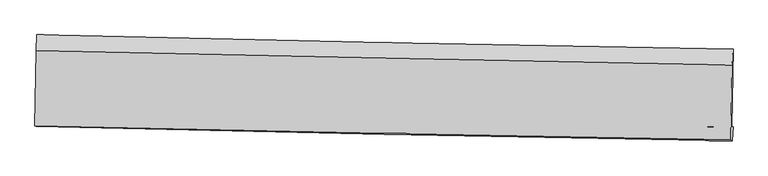
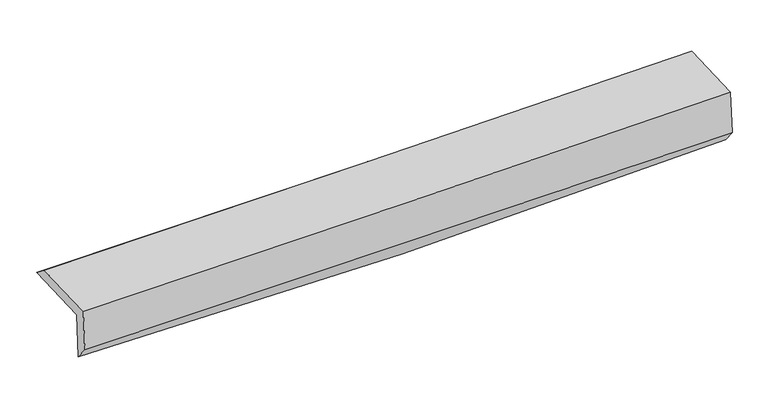
"""IFC4 building model written with IfcOpenShell, lengths in millimetres: proxy geometry."""

from ifc_helpers import new_model, si_unit, frame, origin, place, context, project, spatial, source, transform, mapped, element, save
from ifc_brep_helpers import plane_surface, spline_curve, spline_surface, advanced_brep


def generic_models_8e644eea(model_context):
    return source(origin(), model_context, "Body", "AdvancedBrep", [
        advanced_brep(
        [(-3039.4139982, -1751.507799, 1988.2862521), (-3027.2113559, -1073.314951, 1997.4311189), (3025.8639569, -1199.2811685, 2107.9413012), (3013.6640264, -1877.3233079, 2098.7984666), (-3025.6667934, -1746.0182584, 1562.8323414), (3026.5155968, -1877.3038594, 1698.1260946), (-3032.6959913, -1871.2381313, 1710.0530842), (3019.5556208, -1998.7129018, 1845.3778279), (-3045.0493207, -1866.0027041, 2098.210134), (3006.7379099, -1989.8773438, 2250.0814048), (-3033.1286292, -1209.7323549, 2103.5519492), (3018.4883895, -1336.8145824, 2258.8874132)],
        [
            (0, 1),
            (1, 2, spline_curve(3, [(-3027.2113559, -1073.314951, 1997.4311189), (-2017.089537678, -1097.267381253, 1969.776133068), (-1007.53219809, -1119.742096402, 1965.162525304), (1010.159243956, -1161.729974065, 2002.012691299), (2018.293674959, -1181.243997751, 2043.463026532), (3025.8639569, -1199.2811685, 2107.9413012)], [4, 2, 4], [0.0, 9.93791456388759, 19.872930660471])),
            (2, 3),
            (3, 0, spline_curve(3, [(3013.6640264, -1877.3233079, 2098.7984666), (2006.09238866, -1859.361487625, 2034.319175911), (997.957053468, -1839.897700052, 1992.868163283), (-1019.735292134, -1797.960073744, 1956.017319621), (-2029.292632153, -1775.485358264, 1960.630927385), (-3039.4139982, -1751.507799, 1988.2862521)], [4, 2, 4], [0.0, 9.935016096583409, 19.872930660471])),
            (4, 0),
            (3, 5),
            (5, 4, spline_curve(3, [(3026.5155968, -1877.3038594, 1698.1260946), (2018.933284643, -1856.790202821, 1635.445549447), (1010.867225762, -1835.594602849, 1592.829515131), (-1006.526622292, -1791.83313354, 1547.719888229), (-2015.854693357, -1769.266866525, 1545.238005053), (-3025.6667934, -1746.0182584, 1562.8323414)], [4, 2, 4], [0.0, 9.934380325271514, 19.87165893236564])),
            (6, 4),
            (5, 7),
            (7, 6, spline_curve(3, [(3019.5556208, -1998.7129018, 1845.3778279), (2010.675163661, -1980.60912327, 1821.786184337), (1001.954170851, -1960.936114784, 1798.714869603), (-1015.463126001, -1918.445440351, 1753.606317914), (-2024.159337359, -1895.626858831, 1731.569385042), (-3032.6959913, -1871.2381313, 1710.0530842)], [4, 2, 4], [0.0, 9.932096486058096, 19.867090587645645])),
            (8, 6),
            (7, 9),
            (9, 8, spline_curve(3, [(3006.7379099, -1989.8773438, 2250.0814048), (1997.983603693, -1973.528607505, 2221.548447188), (989.364382871, -1955.033171594, 2194.627640206), (-1027.898106243, -1913.742877616, 2144.00294218), (-2036.541295425, -1890.946767061, 2120.299992642), (-3045.0493207, -1866.0027041, 2098.210134)], [4, 2, 4], [0.0, 9.93136499174575, 19.86562738561291])),
            (10, 8),
            (9, 11),
            (11, 10, spline_curve(3, [(3018.4883895, -1336.8145824, 2258.8874132), (2009.818847549, -1318.880714628, 2228.622291924), (1001.256195035, -1299.325376073, 2200.546678094), (-1015.949539928, -1256.96557975, 2148.766912226), (-2024.592560479, -1234.160175618, 2125.064038383), (-3033.1286292, -1209.7323549, 2103.5519492)], [4, 2, 4], [0.0, 9.931255666330037, 19.8654087028866])),
            (1, 10),
            (11, 2),
        ],
        [
            spline_surface(3, 3, [[(-3039.4139982, -1751.507799, 1988.2862521), (-2029.292632034, -1775.485358315, 1960.630927466), (-1019.735292276, -1797.960073666, 1956.017319729), (997.95705361, -1839.89770013, 1992.868163175), (2006.092388766, -1859.361487744, 2034.319175758), (3013.6640264, -1877.3233079, 2098.7984666)], [(-3035.346450789, -1525.443516334, 1991.334541033), (-2025.224933908, -1549.412699282, 1963.679329347), (-1015.66759415, -1571.887414634, 1959.06572161), (1002.024450349, -1613.841791388, 1995.916339192), (2010.159484208, -1633.322324408, 2037.367125977), (3017.730669917, -1651.30926145, 2101.846078139)], [(-3031.278903311, -1299.379233666, 1994.382829967), (-2021.157235715, -1323.340040247, 1966.72773123), (-1011.599896056, -1345.814755598, 1962.114123493), (1006.091847057, -1387.785882643, 1998.964515212), (2014.2265796, -1407.28316102, 2040.415076179), (3021.797313383, -1425.29521495, 2104.893689661)], [(-3027.2113559, -1073.314951, 1997.4311189), (-2017.089537589, -1097.267381214, 1969.776133111), (-1007.532197931, -1119.742096566, 1965.162525374), (1010.159243797, -1161.729973901, 2002.012691229), (2018.293675042, -1181.243997684, 2043.463026399), (3025.8639569, -1199.2811685, 2107.9413012)]], [4, 4], [4, 2, 4], [0.0, 2.2256045706319028], [0.0, 9.93791456388759, 19.872930660471]),
            spline_surface(3, 3, [[(-3025.6667934, -1746.0182584, 1562.8323414), (-2015.854693339, -1769.266866637, 1545.23800496), (-1006.526622132, -1791.833133691, 1547.719888291), (1010.867225602, -1835.594602698, 1592.829515069), (2018.933284526, -1856.790202706, 1635.445549487), (3026.5155968, -1877.3038594, 1698.1260946)], [(-3030.249195002, -1747.84810524, 1704.650311645), (-2020.33400624, -1771.33969717, 1683.702312474), (-1010.929512208, -1793.875447024, 1683.819032116), (1006.56383491, -1837.028968517, 1726.175731117), (2014.652985945, -1857.647297724, 1768.403424924), (3022.231740005, -1877.310342239, 1831.683551947)], [(-3034.831596598, -1749.67795216, 1846.468281855), (-2024.813319133, -1773.412527782, 1822.166619953), (-1015.332402199, -1795.917760333, 1819.918175904), (1002.260444302, -1838.463334311, 1859.521947127), (2010.372687348, -1858.504392726, 1901.361300321), (3017.947883195, -1877.316825061, 1965.241009253)], [(-3039.4139982, -1751.507799, 1988.2862521), (-2029.292632034, -1775.485358315, 1960.630927466), (-1019.735292276, -1797.960073666, 1956.017319729), (997.95705361, -1839.89770013, 1992.868163175), (2006.092388766, -1859.361487744, 2034.319175758), (3013.6640264, -1877.3233079, 2098.7984666)]], [4, 4], [4, 2, 4], [0.0, 1.3268169511012873], [0.0, 9.937278607094127, 19.87165893236564]),
            spline_surface(3, 3, [[(-3032.6959913, -1871.2381313, 1710.0530842), (-2024.159337463, -1895.626858716, 1731.569384924), (-1015.463126117, -1918.445440348, 1753.606317983), (1001.954170967, -1960.936114786, 1798.714869534), (2010.67516367, -1980.609123265, 1821.786184369), (3019.5556208, -1998.7129018, 1845.3778279)], [(-3030.352925324, -1829.498173696, 1660.979503271), (-2021.391122746, -1853.506861385, 1669.45892494), (-1012.484291427, -1876.241338147, 1684.977508087), (1004.925189207, -1919.155610775, 1730.086418048), (2013.427870606, -1939.336149716, 1759.672639402), (3021.875612784, -1958.24322097, 1796.293916793)], [(-3028.009859376, -1787.758216004, 1611.905922329), (-2018.622908056, -1811.386863967, 1607.348464944), (-1009.505456822, -1834.037235892, 1616.348698187), (1007.896207362, -1877.375106709, 1661.457966556), (2016.18057759, -1898.063176256, 1697.559094454), (3024.195604816, -1917.77354023, 1747.210005707)], [(-3025.6667934, -1746.0182584, 1562.8323414), (-2015.854693339, -1769.266866637, 1545.23800496), (-1006.526622132, -1791.833133691, 1547.719888291), (1010.867225602, -1835.594602698, 1592.829515069), (2018.933284526, -1856.790202706, 1635.445549487), (3026.5155968, -1877.3038594, 1698.1260946)]], [4, 4], [4, 2, 4], [0.0, 0.7924357895024086], [0.0, 9.934994101587549, 19.867090587645645]),
            spline_surface(3, 3, [[(-3045.0493207, -1866.0027041, 2098.210134), (-2036.541295493, -1890.946767187, 2120.29999266), (-1027.898106202, -1913.742877683, 2144.002942336), (989.364382831, -1955.033171527, 2194.627640051), (1997.983603737, -1973.528607543, 2221.548447351), (3006.7379099, -1989.8773438, 2250.0814048)], [(-3040.931544217, -1867.7478465, 1968.82445072), (-2032.413976133, -1892.506797697, 1990.723123401), (-1023.753112851, -1915.310398553, 2013.870734196), (993.560978866, -1957.000819262, 2062.656716523), (2002.214123722, -1975.888779451, 2088.294359702), (3011.010480207, -1992.822529801, 2115.180212511)], [(-3036.813767783, -1869.4929889, 1839.43876748), (-2028.286656823, -1894.066828206, 1861.146254183), (-1019.608119468, -1916.877919478, 1883.738526122), (997.757574933, -1958.968467051, 1930.685793062), (2006.444643685, -1978.248951357, 1955.040272019), (3015.283050493, -1995.767715799, 1980.279020189)], [(-3032.6959913, -1871.2381313, 1710.0530842), (-2024.159337463, -1895.626858716, 1731.569384924), (-1015.463126117, -1918.445440348, 1753.606317983), (1001.954170967, -1960.936114786, 1798.714869534), (2010.67516367, -1980.609123265, 1821.786184369), (3019.5556208, -1998.7129018, 1845.3778279)]], [4, 4], [4, 2, 4], [0.0, 1.2906453030407201], [0.0, 9.93426239386716, 19.86562738561291]),
            spline_surface(3, 3, [[(-3033.1286292, -1209.7323549, 2103.5519492), (-2024.59256059, -1234.160175758, 2125.064038317), (-1015.94954008, -1256.965579771, 2148.766912285), (1001.256195187, -1299.325376051, 2200.546678035), (2009.818847598, -1318.880714494, 2228.622292029), (3018.4883895, -1336.8145824, 2258.8874132)], [(-3037.102193049, -1428.489137961, 2101.771344151), (-2028.575472241, -1453.089039563, 2123.476023116), (-1019.932395461, -1475.891345745, 2147.178922299), (997.292257729, -1517.894641213, 2198.573665371), (2005.873766307, -1537.096678844, 2226.26434378), (3014.571562963, -1554.502169533, 2255.952077043)], [(-3041.075756851, -1647.245921039, 2099.990739049), (-2032.558383843, -1672.017903383, 2121.888007862), (-1023.915250822, -1694.817111709, 2145.590932322), (993.328320289, -1736.463906365, 2196.600652715), (2001.928685027, -1755.312643194, 2223.906395601), (3010.654736437, -1772.189756667, 2253.016740957)], [(-3045.0493207, -1866.0027041, 2098.210134), (-2036.541295493, -1890.946767187, 2120.29999266), (-1027.898106202, -1913.742877683, 2144.002942336), (989.364382831, -1955.033171527, 2194.627640051), (1997.983603737, -1973.528607543, 2221.548447351), (3006.7379099, -1989.8773438, 2250.0814048)]], [4, 4], [4, 2, 4], [0.0, 2.153453701318594], [0.0, 9.934153036556564, 19.8654087028866]),
            spline_surface(3, 3, [[(-3027.2113559, -1073.314951, 1997.4311189), (-2017.089537589, -1097.267381214, 1969.776133111), (-1007.532197931, -1119.742096566, 1965.162525374), (1010.159243797, -1161.729973901, 2002.012691229), (2018.293675042, -1181.243997684, 2043.463026399), (3025.8639569, -1199.2811685, 2107.9413012)], [(-3029.183780318, -1118.787418968, 2032.804728981), (-2019.590545241, -1142.89831273, 2021.53876816), (-1010.337978641, -1165.483257622, 2026.363987689), (1007.191560933, -1207.595107939, 2068.190686842), (2015.46873255, -1227.122903294, 2105.182781608), (3023.405434423, -1245.125639807, 2158.256671866)], [(-3031.156204782, -1164.259886932, 2068.178339119), (-2022.091552939, -1188.529244242, 2073.301403268), (-1013.14375937, -1211.224418716, 2087.56544997), (1004.22387805, -1253.460242014, 2134.368682422), (2012.643790089, -1273.001808884, 2166.902536819), (3020.946911977, -1290.970111093, 2208.572042534)], [(-3033.1286292, -1209.7323549, 2103.5519492), (-2024.59256059, -1234.160175758, 2125.064038317), (-1015.94954008, -1256.965579771, 2148.766912285), (1001.256195187, -1299.325376051, 2200.546678035), (2009.818847598, -1318.880714494, 2228.622292029), (3018.4883895, -1336.8145824, 2258.8874132)]], [4, 4], [4, 2, 4], [0.0, 0.7726565282216591], [0.0, 9.93533322177646, 19.867768729116523]),
            plane_surface(frame((3018.4709167, -1713.2188606, 2043.2020847), z_axis=(0.9993165796104349, -0.018412780074689564, 0.0320521956443341), x_axis=(0.031648442622873134, -0.0218160365886754, -0.9992609452125647))),
            plane_surface(frame((-3033.8610148, -1586.3023664, 1910.0608133), z_axis=(-0.9993165796104378, 0.018412780073414917, -0.03205219564497241), x_axis=(-0.017988332984852595, -0.9997473125480275, -0.013480761455594648))),
        ],
        [
            (0, [[1, 2, 3, 4]]),
            (1, [[5, -4, 6, 7]]),
            (2, [[8, -7, 9, 10]]),
            (3, [[11, -10, 12, 13]]),
            (4, [[14, -13, 15, 16]]),
            (5, [[17, -16, 18, -2]]),
            (6, [[-12, -9, -6, -3, -18, -15]]),
            (7, [[-1, -5, -8, -11, -14, -17]]),
        ],
    ),
    ])


if __name__ == "__main__":
    model = new_model("IFC4")
    model_context = context("Model", 3, world=origin())
    ifc_project = project(units=[si_unit("LENGTHUNIT", "METRE", prefix="MILLI")], contexts=[model_context])
    site = spatial("IfcSite", under=ifc_project)
    building = spatial("IfcBuilding", under=site)
    placement = place(None, origin())
    generic_models_shape = generic_models_8e644eea(model_context)
    element("IfcBuildingElementProxy", 1, Name="Generic Models", at=placement, inside=building, context=model_context, shape_type="MappedRepresentation", body=[
        mapped(generic_models_shape, transform((0.0, 0.0, 0.0), x_axis=(1.0, 0.0, 0.0), y_axis=(0.0, 1.0, 0.0), z_axis=(0.0, 0.0, 1.0))),
    ])
    save(model, "model.ifc")
